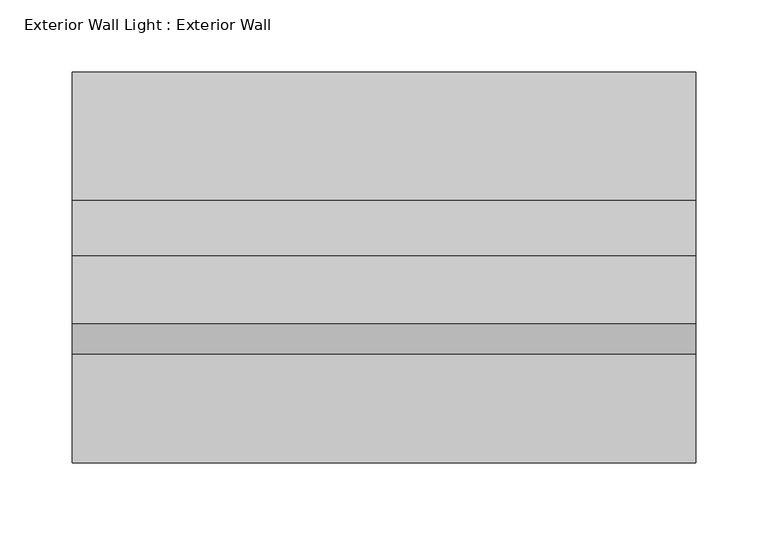
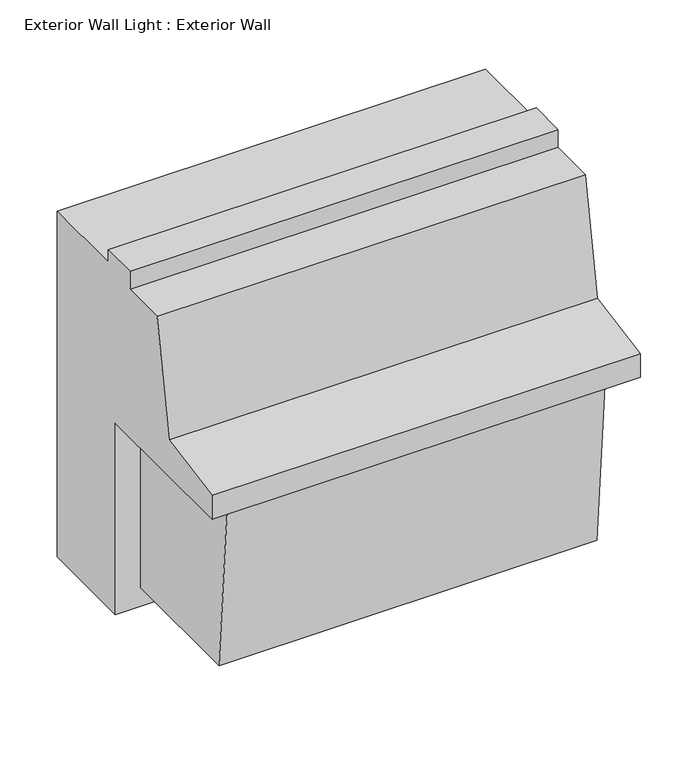
"""IFC4 building model written with IfcOpenShell, lengths in millimetres: light fixture geometry, Exterior Wall Light : Exterior Wall."""

from ifc_helpers import new_model, si_unit, frame, origin, place, context, project, spatial, polyline, outline, extrude, source, transform, mapped, element, save


def exterior_wall_light_exterior_wall_e06ff221(model_context):
    return source(origin(), model_context, "Body", "SweptSolid", [
        extrude(outline(polyline([(-86.9254698, 1981.2), (-86.9254698, 1797.05), (-224.1450011, 1797.05), (-239.3254698, 1981.2), (-86.9254698, 1981.2)])), frame((-224.9117675, 0.0, 0.0), z_axis=(1.0, 0.0, 0.0), x_axis=(0.0, 1.0, 0.0)), (0.0, 0.0, 1.0), 381.0),
        extrude(outline(polyline([(14.6745302, 2145.50625), (14.6745302, 1777.20625), (-86.9254698, 1777.20625), (-86.9254698, 1981.2), (-255.9942198, 1981.2), (-255.9942198, 2006.6), (-180.5879698, 2020.09375), (-159.9504698, 2139.15625), (-112.3254698, 2139.15625), (-112.3254698, 2158.20625), (-74.2254698, 2158.20625), (-74.2254698, 2145.50625), (14.6745302, 2145.50625)])), frame((-250.3117675, 0.0, 0.0), z_axis=(1.0, 0.0, 0.0), x_axis=(0.0, 1.0, 0.0)), (0.0, 0.0, 1.0), 431.8),
    ])


if __name__ == "__main__":
    model = new_model("IFC4")
    model_context = context("Model", 3, world=origin())
    ifc_project = project(units=[si_unit("LENGTHUNIT", "METRE", prefix="MILLI")], contexts=[model_context])
    site = spatial("IfcSite", under=ifc_project)
    building = spatial("IfcBuilding", under=site)
    placement = place(None, origin())
    exterior_wall_light_exterior_wall_shape = exterior_wall_light_exterior_wall_e06ff221(model_context)
    element("IfcLightFixture", 1, ObjectType="Exterior Wall Light : Exterior Wall", at=placement, inside=building, context=model_context, shape_type="MappedRepresentation", body=[
        mapped(exterior_wall_light_exterior_wall_shape, transform((0.0, 0.0, 0.0), x_axis=(1.0, 0.0, 0.0), y_axis=(0.0, 1.0, 0.0), z_axis=(0.0, 0.0, 1.0))),
    ])
    save(model, "model.ifc")
